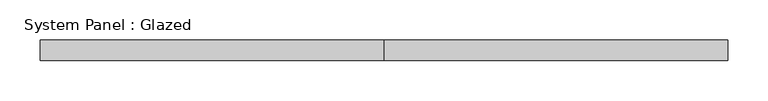
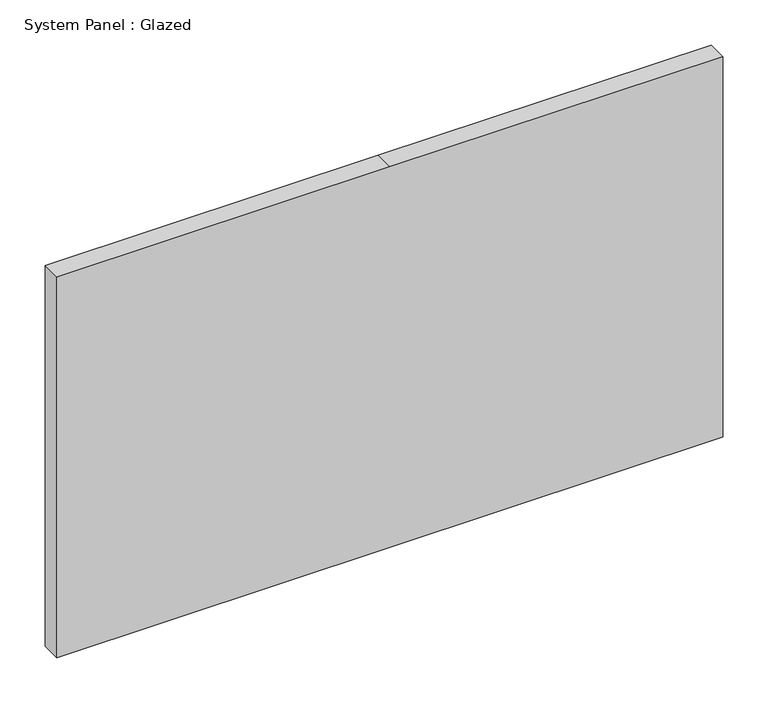
"""IFC4 building model written with IfcOpenShell, lengths in millimetres: plate geometry, System Panel : Glazed."""

import ifcopenshell
import ifcopenshell.guid

model = None  # the IFC model being written
_history = None  # IfcOwnerHistory: only IFC2X3 demands one
_inside = {}  # id of a spatial element -> (the spatial element, [elements in it])
_under = {}  # id of a project, library or spatial element -> (it, [spatial elements below it])
_declared = {}  # id of a project -> (the project, [libraries it declares])
_typed = {}  # id of a type object -> (the type object, [elements of that type])
_made_of = {}  # id of a material, layer set ... -> (it, [elements and type objects made of it])


def new_model(schema):
    """Start an empty IFC model of exactly this schema.

    Asked for "IFC4X3", IfcOpenShell would pick the latest addendum, in which some entities
    have other attributes; the version numbers below select the first issue.
    IFC2X3 requires an IfcOwnerHistory on every rooted entity: one is made here for all.
    """
    global model, _history
    if schema == "IFC4X3":
        model = ifcopenshell.file(schema_version=(4, 3, 0, 0))
    else:
        model = ifcopenshell.file(schema=schema)
    _inside.clear()
    _under.clear()
    _declared.clear()
    _typed.clear()
    _made_of.clear()
    _history = None
    if model.schema == "IFC2X3":
        org = make("IfcOrganization", Name="unknown")
        user = make(
            "IfcPersonAndOrganization",
            ThePerson=make("IfcPerson", FamilyName="unknown"),
            TheOrganization=org,
        )
        app = make(
            "IfcApplication",
            ApplicationDeveloper=org,
            Version="unknown",
            ApplicationFullName="unknown",
            ApplicationIdentifier="unknown",
        )
        _history = make(
            "IfcOwnerHistory",
            OwningUser=user,
            OwningApplication=app,
            ChangeAction="ADDED",
            CreationDate=0,
        )
    return model


def make(cls, **values):
    """One entity of the class cls with the attributes given. An attribute that is None is left unset."""
    return model.create_entity(
        cls, **{name: value for name, value in values.items() if value is not None}
    )


def rooted(cls, **values):
    """An entity with a GlobalId (a new one), such as an element, a storey or a relation."""
    return make(cls, GlobalId=ifcopenshell.guid.new(), OwnerHistory=_history, **values)


def si_unit(unit_type, name, prefix=None):
    """IfcSIUnit, for example si_unit("LENGTHUNIT", "METRE", prefix="MILLI")."""
    return make("IfcSIUnit", UnitType=unit_type, Prefix=prefix, Name=name)


def assignment(units):
    """IfcUnitAssignment: the units of a project."""
    return None if units is None else make("IfcUnitAssignment", Units=units)


def point(xyz):
    """IfcCartesianPoint."""
    return None if xyz is None else make("IfcCartesianPoint", Coordinates=xyz)


def direction(xyz):
    """IfcDirection."""
    return None if xyz is None else make("IfcDirection", DirectionRatios=xyz)


def frame(location, z_axis=None, x_axis=None):
    """IfcAxis2Placement3D, a coordinate frame: its origin and axes. An axis left out is left unset."""
    return make(
        "IfcAxis2Placement3D",
        Location=point(location),
        Axis=direction(z_axis),
        RefDirection=direction(x_axis),
    )


def origin():
    """The frame at (0, 0, 0) with its axes left unset."""
    return frame((0.0, 0.0, 0.0))


def place(relative_to, where):
    """IfcLocalPlacement: puts the frame where relative to a parent placement (None: the world)."""
    return make(
        "IfcLocalPlacement", PlacementRelTo=relative_to, RelativePlacement=where
    )


def context(
    kind, dimensions, precision=None, world=None, true_north=None, identifier=None
):
    """IfcGeometricRepresentationContext, for example the 3D "Model" context."""
    return make(
        "IfcGeometricRepresentationContext",
        ContextIdentifier=identifier,
        ContextType=kind,
        CoordinateSpaceDimension=dimensions,
        Precision=precision,
        WorldCoordinateSystem=world,
        TrueNorth=true_north,
    )


def project(units=None, contexts=None):
    """IfcProject with its units and contexts."""
    return rooted(
        "IfcProject",
        Name="project",
        RepresentationContexts=contexts,
        UnitsInContext=assignment(units),
    )


def spatial(cls, under=None, at=None, **own):
    """A site, building, storey or space (cls), placed at a placement, below another one or the project."""
    s = rooted(cls, ObjectPlacement=at, **own)
    if under is not None:
        _under.setdefault(under.id(), (under, []))[1].append(s)
    return s


def polyline(points):
    """IfcPolyline through the points."""
    return make("IfcPolyline", Points=[point(p) for p in points])


def outline(outer, holes=None, kind="AREA"):
    """IfcArbitraryClosedProfileDef: a profile drawn as a closed curve; with holes, ...WithVoids."""
    if holes is None:
        return make("IfcArbitraryClosedProfileDef", ProfileType=kind, OuterCurve=outer)
    return make(
        "IfcArbitraryProfileDefWithVoids",
        ProfileType=kind,
        OuterCurve=outer,
        InnerCurves=holes,
    )


def extrude(swept, where, along, depth):
    """IfcExtrudedAreaSolid: the profile swept, set in the frame where, extruded along a direction by depth."""
    return make(
        "IfcExtrudedAreaSolid",
        SweptArea=swept,
        Position=where,
        ExtrudedDirection=direction(along),
        Depth=depth,
    )


def shape(context_of_items, identifier, shape_type, items):
    """IfcShapeRepresentation: the items that make up one representation, for example the "Body"."""
    return make(
        "IfcShapeRepresentation",
        ContextOfItems=context_of_items,
        RepresentationIdentifier=identifier,
        RepresentationType=shape_type,
        Items=items,
    )


def source(mapping_origin, context_of_items, identifier, shape_type, items):
    """IfcRepresentationMap: a shape defined once, which mapped items show again and again."""
    return make(
        "IfcRepresentationMap",
        MappingOrigin=mapping_origin,
        MappedRepresentation=shape(context_of_items, identifier, shape_type, items),
    )


def transform(
    local_origin,
    x_axis=None,
    y_axis=None,
    z_axis=None,
    scale=None,
    scale2=None,
    scale3=None,
    uniform=True,
):
    """IfcCartesianTransformationOperator3D, or its non-uniform kind. x_axis, y_axis, z_axis: its Axis1, 2, 3."""
    if uniform:
        return make(
            "IfcCartesianTransformationOperator3D",
            Axis1=direction(x_axis),
            Axis2=direction(y_axis),
            LocalOrigin=point(local_origin),
            Scale=scale,
            Axis3=direction(z_axis),
        )
    return make(
        "IfcCartesianTransformationOperator3DnonUniform",
        Axis1=direction(x_axis),
        Axis2=direction(y_axis),
        LocalOrigin=point(local_origin),
        Scale=scale,
        Axis3=direction(z_axis),
        Scale2=scale2,
        Scale3=scale3,
    )


def mapped(mapping_source, mapping_target):
    """IfcMappedItem: shows the shape of a source again, moved by a transform."""
    return make(
        "IfcMappedItem", MappingSource=mapping_source, MappingTarget=mapping_target
    )


def made_of(thing, what):
    """Note that an element or type object is made of a material, layer set ...; save() writes the relation."""
    if what is not None:
        _made_of.setdefault(what.id(), (what, []))[1].append(thing)
    return thing


def element(
    cls,
    number,
    at=None,
    inside=None,
    cuts=None,
    type_object=None,
    material=None,
    context=None,
    identifier="Body",
    shape_type=None,
    held_by="IfcProductDefinitionShape",
    body=None,
    shapes=None,
    **own,
):
    """One element of the class cls, such as IfcWall. Its Tag is "e" and its number.

    at: its placement. inside: the storey or other place that contains it. cuts: it is an
    opening in that element (IfcRelVoidsElement). A single representation is given by context,
    identifier, shape_type and body (its items); several are given by shapes. held_by: the class
    of the entity that holds the representations. save() writes the other relations.
    """
    e = rooted(cls, Tag="e%d" % number, ObjectPlacement=at, **own)
    if body is not None:
        shapes = [shape(context, identifier, shape_type, body)]
    if shapes is not None:
        e.Representation = make(held_by, Representations=shapes)
    if inside is not None:
        _inside.setdefault(inside.id(), (inside, []))[1].append(e)
    if cuts is not None:
        rooted(
            "IfcRelVoidsElement", RelatingBuildingElement=cuts, RelatedOpeningElement=e
        )
    if type_object is not None:
        _typed.setdefault(type_object.id(), (type_object, []))[1].append(e)
    return made_of(e, material)


def aggregate(whole, parts):
    """IfcRelAggregates: a whole, such as a stair, and the parts it consists of."""
    return rooted("IfcRelAggregates", RelatingObject=whole, RelatedObjects=parts)


def save(model, path):
    """Write the relations noted so far, then the file.

    IfcRelAggregates (storeys below a building ...), IfcRelContainedInSpatialStructure (elements
    in a storey), IfcRelDefinesByType, IfcRelAssociatesMaterial and IfcRelDeclares: one each for
    every whole, place, type object, material and project.
    """
    for whole, parts in _under.values():
        aggregate(whole, parts)
    for where, things in _inside.values():
        rooted(
            "IfcRelContainedInSpatialStructure",
            RelatedElements=things,
            RelatingStructure=where,
        )
    for kind, things in _typed.values():
        rooted("IfcRelDefinesByType", RelatedObjects=things, RelatingType=kind)
    for what, things in _made_of.values():
        rooted("IfcRelAssociatesMaterial", RelatedObjects=things, RelatingMaterial=what)
    for by, libraries in _declared.values():
        rooted("IfcRelDeclares", RelatingContext=by, RelatedDefinitions=libraries)
    model.write(path)


def system_panel_glazed_65d1541d(model_context):
    return source(origin(), model_context, "Body", "SweptSolid", [
        extrude(outline(polyline([(0.0, -425.45), (0.0, 0.0), (0.0, 425.45), (514.35, 425.45), (514.35, 0.0), (514.35, -425.45), (0.0, -425.45)])), frame((0.0, 19.05, 0.0), z_axis=(0.0, 1.0, 0.0), x_axis=(0.0, 0.0, 1.0)), (0.0, 0.0, 1.0), 25.4),
    ])


if __name__ == "__main__":
    model = new_model("IFC4")
    model_context = context("Model", 3, world=origin())
    ifc_project = project(units=[si_unit("LENGTHUNIT", "METRE", prefix="MILLI")], contexts=[model_context])
    site = spatial("IfcSite", under=ifc_project)
    building = spatial("IfcBuilding", under=site)
    placement = place(None, origin())
    system_panel_glazed_shape = system_panel_glazed_65d1541d(model_context)
    element("IfcPlate", 1, ObjectType="System Panel : Glazed", at=placement, inside=building, context=model_context, shape_type="MappedRepresentation", body=[
        mapped(system_panel_glazed_shape, transform((0.0, 0.0, 0.0), x_axis=(1.0, 0.0, 0.0), y_axis=(0.0, 1.0, 0.0), z_axis=(0.0, 0.0, 1.0))),
    ])
    save(model, "model.ifc")
